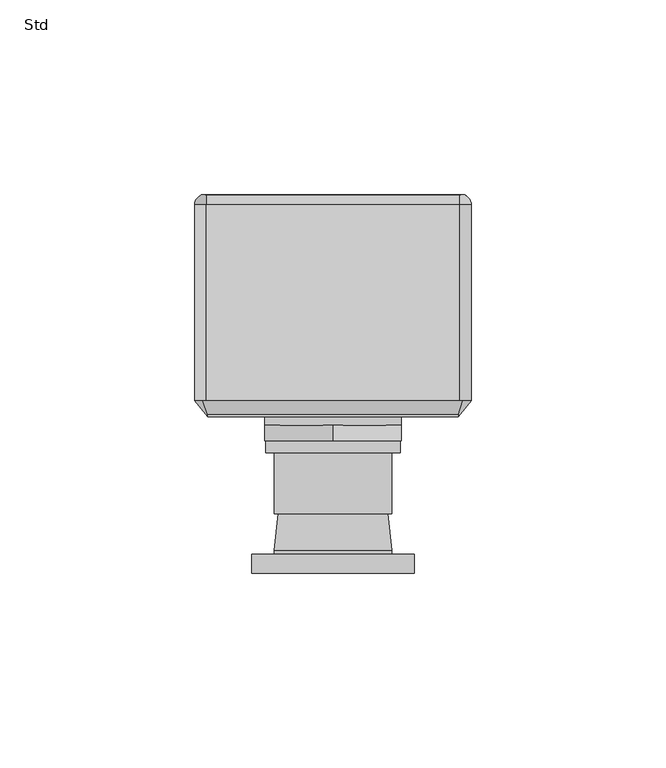
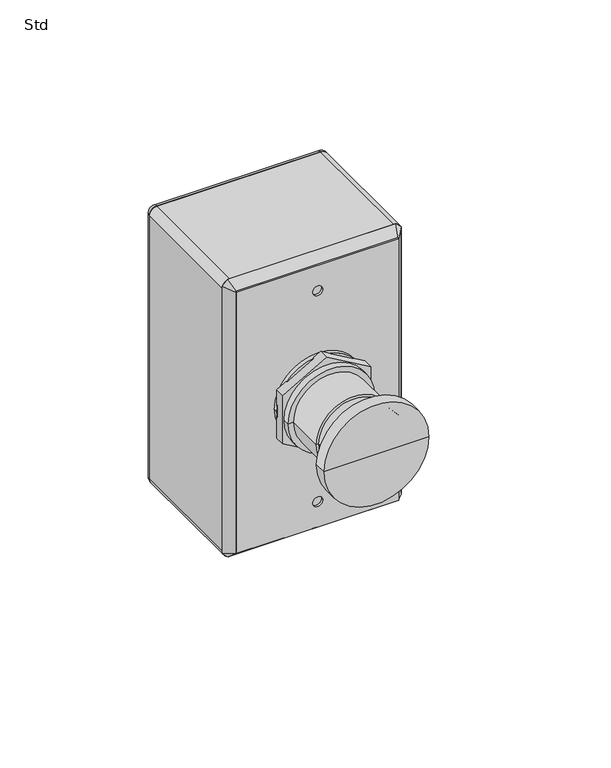
"""IFC4 building model written with IfcOpenShell, lengths in millimetres: proxy geometry, Std."""

from ifc_helpers import new_model, si_unit, point, frame, frame_2d, origin, place, context, project, spatial, polyline, circle_curve, ellipse_curve, trimmed, segment, composite_curve, outline, extrude, faceted_brep, source, transform, mapped, element, save
from ifc_brep_helpers import plane_surface, cylinder_surface, revolved_surface, advanced_brep


def std_20852791(model_context):
    return source(origin(), model_context, "Body", "SolidModel", [
        advanced_brep(
        [(-32.1242508, -28.5, 1254.8742508), (-32.1242508, -28.5, 1145.1257492), (32.1242508, -28.5, 1145.1257492), (32.1242508, -28.5, 1254.8742508), (-2.0, -28.5, 1244.25), (2.0, -28.5, 1244.25), (-2.0, -28.5, 1155.75), (2.0, -28.5, 1155.75), (-32.1242508, -24.3818363, 1254.8742508), (32.1242508, -24.3818363, 1254.8742508), (32.1242508, -24.3818363, 1145.1257492), (-32.1242508, -24.3818363, 1145.1257492), (2.0, -27.5, 1244.25), (-2.0, -27.5, 1244.25), (2.0, -27.5, 1155.75), (-2.0, -27.5, 1155.75)],
        [
            (0, 1),
            (1, 2),
            (2, 3),
            (3, 0),
            (4, 5, circle_curve(frame((0.0, -28.5, 1244.25), z_axis=(0.0, 1.0, 0.0), x_axis=(-1.0, 0.0, 0.0)), 2.0)),
            (5, 4, circle_curve(frame((0.0, -28.5, 1244.25), z_axis=(0.0, 1.0, 0.0), x_axis=(-1.0, 0.0, 0.0)), 2.0)),
            (6, 7, circle_curve(frame((0.0, -28.5, 1155.75), z_axis=(0.0, 1.0, 0.0), x_axis=(-1.0, 0.0, 0.0)), 2.0)),
            (7, 6, circle_curve(frame((0.0, -28.5, 1155.75), z_axis=(0.0, 1.0, 0.0), x_axis=(-1.0, 0.0, 0.0)), 2.0)),
            (8, 9),
            (9, 10),
            (10, 11),
            (11, 8),
            (0, 8),
            (11, 1),
            (10, 2),
            (9, 3),
            (12, 13, circle_curve(frame((0.0, -27.5, 1244.25), z_axis=(0.0, -1.0, 0.0), x_axis=(-1.0, 0.0, 0.0)), 2.0)),
            (13, 12, circle_curve(frame((0.0, -27.5, 1244.25), z_axis=(0.0, -1.0, 0.0), x_axis=(-1.0, 0.0, 0.0)), 2.0)),
            (14, 15, circle_curve(frame((0.0, -27.5, 1155.75), z_axis=(0.0, -1.0, 0.0), x_axis=(-1.0, 0.0, 0.0)), 2.0)),
            (15, 14, circle_curve(frame((0.0, -27.5, 1155.75), z_axis=(0.0, -1.0, 0.0), x_axis=(-1.0, 0.0, 0.0)), 2.0)),
            (12, 5),
            (4, 13),
            (14, 7),
            (6, 15),
        ],
        [
            plane_surface(frame((-32.1242508, -28.5, 1145.1257492), z_axis=(0.0, -1.0, 0.0), x_axis=(0.0, 0.0, -1.0))),
            plane_surface(frame((-32.1242508, -24.3818363, 1145.1257492), z_axis=(0.0, 1.0, 0.0), x_axis=(0.0, 0.0, 1.0))),
            plane_surface(frame((-32.1242508, -28.5, 1254.8742508), z_axis=(-1.0, 0.0, 0.0), x_axis=(0.0, 1.0, 0.0))),
            plane_surface(frame((-32.1242508, -28.5, 1145.1257492), z_axis=(0.0, 0.0, -1.0), x_axis=(0.0, 1.0, 0.0))),
            plane_surface(frame((32.1242508, -28.5, 1145.1257492), z_axis=(1.0, 0.0, 0.0), x_axis=(0.0, 1.0, 0.0))),
            plane_surface(frame((32.1242508, -28.5, 1254.8742508), z_axis=(0.0, 0.0, 1.0), x_axis=(0.0, 1.0, 0.0))),
            plane_surface(frame((-2.0, -27.5, 1244.25), z_axis=(0.0, -1.0, 0.0), x_axis=(0.0, 0.0, 1.0))),
            revolved_surface(polyline([(-2.0, -28.5, 1244.25), (-2.0, -27.5, 1244.25)]), (0.0, -27.5, 1244.25), (0.0, -1.0, 0.0)),
            revolved_surface(polyline([(-2.0, -28.5, 1155.75), (-2.0, -27.5, 1155.75)]), (0.0, -28.5, 1155.75), (0.0, -1.0, 0.0)),
        ],
        [
            (0, [[1, 2, 3, 4], [5, 6], [7, 8]]),
            (1, [[9, 10, 11, 12]]),
            (2, [[-1, 13, -12, 14]]),
            (3, [[-2, -14, -11, 15]]),
            (4, [[-3, -15, -10, 16]]),
            (5, [[-4, -16, -9, -13]]),
            (6, [[17, 18]]),
            (6, [[19, 20]]),
            (7, [[-17, 21, -5, 22]]),
            (7, [[-18, -22, -6, -21]]),
            (8, [[-19, 23, -7, 24]]),
            (8, [[-20, -24, -8, -23]]),
        ],
    ),
        faceted_brep([(32.0138212, -28.5, 1145.1257492), (33.4121023, -24.3818363, 1141.75), (35.5, -24.3818363, 1143.8378977), (35.5, -24.3818363, 1256.1281818), (32.1242508, -28.5, 1254.7299007), (33.3781818, -24.3818363, 1258.25), (31.9799007, -28.5, 1254.8742508), (-33.3781818, -24.3818363, 1258.25), (-31.9799007, -28.5, 1254.8742508), (-35.5, -24.3818363, 1256.1281818), (-32.1242508, -28.5, 1254.7299007), (-35.5, -24.3818363, 1143.8378977), (-32.1242508, -28.5, 1145.2361788), (-33.4121023, -24.3818363, 1141.75), (32.1242508, -24.3818363, 1145.2361788), (32.1242508, -24.3818363, 1254.7299007), (31.9799007, -24.3818363, 1254.8742508), (-31.9799007, -24.3818363, 1254.8742508), (-32.1242508, -24.3818363, 1254.7299007), (-32.1242508, -24.3818363, 1145.1257492)], [[[0, 1, 2]], [[0, 2, 3, 4]], [[4, 3, 5, 6]], [[6, 5, 7, 8]], [[8, 7, 9, 10]], [[10, 9, 11, 12]], [[12, 11, 13]], [[12, 13, 1, 0]], [[14, 0, 4, 15]], [[15, 4, 6, 16]], [[16, 6, 8, 17]], [[17, 8, 10, 18]], [[18, 10, 12, 19]], [[19, 12, 0, 14]], [[1, 13, 11, 9, 7, 5, 3, 2], [18, 19, 14, 15, 16, 17]]]),
        extrude(outline(composite_curve([segment(trimmed(circle_curve(frame_2d((1255.239259, 32.5)), 0.5), [point((1255.239259, 33.0))], [point((1255.739259, 32.5))], False, "CARTESIAN"), True, "CONTINUOUS"), segment(polyline([(1255.739259, 32.5), (1255.739259, -32.5)]), True, "CONTINUOUS"), segment(trimmed(circle_curve(frame_2d((1255.239259, -32.5)), 0.5), [point((1255.739259, -32.5))], [point((1255.239259, -33.0))], False, "CARTESIAN"), True, "CONTINUOUS"), segment(polyline([(1255.239259, -33.0), (1144.75, -33.0)]), True, "CONTINUOUS"), segment(trimmed(circle_curve(frame_2d((1144.75, -32.5)), 0.5), [point((1144.75, -33.0))], [point((1144.25, -32.5))], False, "CARTESIAN"), True, "CONTINUOUS"), segment(polyline([(1144.25, -32.5), (1144.25, 32.5)]), True, "CONTINUOUS"), segment(trimmed(circle_curve(frame_2d((1144.75, 32.5)), 0.5), [point((1144.25, 32.5))], [point((1144.75, 33.0))], False, "CARTESIAN"), True, "CONTINUOUS"), segment(polyline([(1144.75, 33.0), (1255.239259, 33.0)]), True, "CONTINUOUS")], self_intersect=False)), frame((0.0, 26.0, 0.0), z_axis=(0.0, 1.0, 0.0), x_axis=(0.0, 0.0, 1.0)), (0.0, 0.0, 1.0), 2.5),
        advanced_brep(
        [(33.0, 28.5, 1255.25), (32.5, 28.5, 1255.75), (32.5, 26.0, 1258.25), (35.5, 26.0, 1255.25), (33.0, 26.0, 1255.25), (32.5, 26.0, 1255.75), (35.5, 26.0, 1144.75), (33.0, 28.5, 1144.75), (33.0, 26.0, 1144.75), (32.5, 28.5, 1144.25), (32.5, 26.0, 1141.75), (32.5, 26.0, 1144.25), (-32.5, 26.0, 1141.75), (-32.5, 28.5, 1144.25), (-32.5, 26.0, 1144.25), (-33.0, 28.5, 1144.75), (-35.5, 26.0, 1144.75), (-33.0, 26.0, 1144.75), (-35.5, 26.0, 1255.25), (-33.0, 28.5, 1255.25), (-33.0, 26.0, 1255.25), (-32.5, 28.5, 1255.75), (-32.5, 26.0, 1258.25), (-32.5, 26.0, 1255.75)],
        [
            (0, 1, circle_curve(frame((32.5, 28.5, 1255.25), z_axis=(0.0, -1.0, 0.0), x_axis=(0.0, 0.0, 1.0)), 0.5)),
            (1, 2, circle_curve(frame((32.5, 26.0, 1255.75), z_axis=(1.0, 0.0, 0.0), x_axis=(0.0, 1.0, 0.0)), 2.5)),
            (2, 3, circle_curve(frame((32.5, 26.0, 1255.25), z_axis=(0.0, 1.0, 0.0), x_axis=(0.0, 0.0, 1.0)), 3.0)),
            (3, 0, circle_curve(frame((33.0, 26.0, 1255.25), z_axis=(0.0, 0.0, 1.0), x_axis=(0.0, 1.0, 0.0)), 2.5)),
            (4, 5, circle_curve(frame((32.5, 26.0, 1255.25), z_axis=(0.0, -1.0, 0.0), x_axis=(0.0, 0.0, 1.0)), 0.5)),
            (5, 1),
            (0, 4),
            (3, 6),
            (6, 7, circle_curve(frame((33.0, 26.0, 1144.75), z_axis=(0.0, 0.0, 1.0), x_axis=(0.0, 1.0, 0.0)), 2.5)),
            (7, 0),
            (7, 8),
            (8, 4),
            (9, 7, circle_curve(frame((32.5, 28.5, 1144.75), z_axis=(0.0, -1.0, 0.0), x_axis=(1.0, 0.0, 0.0)), 0.5)),
            (6, 10, circle_curve(frame((32.5, 26.0, 1144.75), z_axis=(0.0, 1.0, 0.0), x_axis=(1.0, 0.0, 0.0)), 3.0)),
            (10, 9, circle_curve(frame((32.5, 26.0, 1144.25), z_axis=(1.0, 0.0, 0.0), x_axis=(0.0, 1.0, 0.0)), 2.5)),
            (11, 8, circle_curve(frame((32.5, 26.0, 1144.75), z_axis=(0.0, -1.0, 0.0), x_axis=(1.0, 0.0, 0.0)), 0.5)),
            (9, 11),
            (10, 12),
            (12, 13, circle_curve(frame((-32.5, 26.0, 1144.25), z_axis=(1.0, 0.0, 0.0), x_axis=(0.0, 1.0, 0.0)), 2.5)),
            (13, 9),
            (13, 14),
            (14, 11),
            (15, 13, circle_curve(frame((-32.5, 28.5, 1144.75), z_axis=(0.0, -1.0, 0.0), x_axis=(0.0, 0.0, -1.0)), 0.5)),
            (12, 16, circle_curve(frame((-32.5, 26.0, 1144.75), z_axis=(0.0, 1.0, 0.0), x_axis=(0.0, 0.0, -1.0)), 3.0)),
            (16, 15, circle_curve(frame((-33.0, 26.0, 1144.75), z_axis=(0.0, 0.0, -1.0), x_axis=(0.0, 1.0, 0.0)), 2.5)),
            (17, 14, circle_curve(frame((-32.5, 26.0, 1144.75), z_axis=(0.0, -1.0, 0.0), x_axis=(0.0, 0.0, -1.0)), 0.5)),
            (15, 17),
            (16, 18),
            (18, 19, circle_curve(frame((-33.0, 26.0, 1255.25), z_axis=(0.0, 0.0, -1.0), x_axis=(0.0, 1.0, 0.0)), 2.5)),
            (19, 15),
            (19, 20),
            (20, 17),
            (21, 19, circle_curve(frame((-32.5, 28.5, 1255.25), z_axis=(0.0, -1.0, 0.0), x_axis=(-1.0, 0.0, 0.0)), 0.5)),
            (18, 22, circle_curve(frame((-32.5, 26.0, 1255.25), z_axis=(0.0, 1.0, 0.0), x_axis=(-1.0, 0.0, 0.0)), 3.0)),
            (22, 21, circle_curve(frame((-32.5, 26.0, 1255.75), z_axis=(-1.0, 0.0, 0.0), x_axis=(0.0, 1.0, 0.0)), 2.5)),
            (23, 20, circle_curve(frame((-32.5, 26.0, 1255.25), z_axis=(0.0, -1.0, 0.0), x_axis=(-1.0, 0.0, 0.0)), 0.5)),
            (21, 23),
            (22, 2),
            (1, 21),
            (5, 23),
        ],
        [
            revolved_surface(trimmed(ellipse_curve(frame((32.5, 26.0, 1255.75), z_axis=(-1.0, 0.0, 0.0), x_axis=(0.0, 1.0, 0.0)), 2.5, 2.5), [point((32.5, 26.0, 1258.25))], [point((32.5, 28.5, 1255.75))], True, "CARTESIAN"), (32.5, 26.0, 1255.25), (0.0, 1.0, 0.0)),
            revolved_surface(polyline([(32.5, 28.5, 1255.75), (32.5, 26.0, 1255.75)]), (32.5, 26.0, 1255.25), (0.0, 1.0, 0.0)),
            cylinder_surface(frame((33.0, 26.0, 1255.25), z_axis=(0.0, 0.0, 1.0), x_axis=(0.0, 1.0, 0.0)), 2.5),
            plane_surface(frame((33.0, 28.5, 1255.25), z_axis=(-1.0, 0.0, 0.0), x_axis=(0.0, 0.0, -1.0))),
            revolved_surface(trimmed(ellipse_curve(frame((33.0, 26.0, 1144.75), z_axis=(0.0, 0.0, 1.0), x_axis=(0.0, 1.0, 0.0)), 2.5, 2.5), [point((35.5, 26.0, 1144.75))], [point((33.0, 28.5, 1144.75))], True, "CARTESIAN"), (32.5, 26.0, 1144.75), (0.0, 1.0, 0.0)),
            revolved_surface(polyline([(33.0, 28.5, 1144.75), (33.0, 26.0, 1144.75)]), (32.5, 26.0, 1144.75), (0.0, 1.0, 0.0)),
            cylinder_surface(frame((32.5, 26.0, 1144.25), z_axis=(1.0, 0.0, 0.0), x_axis=(0.0, 1.0, 0.0)), 2.5),
            plane_surface(frame((32.5, 28.5, 1144.25), z_axis=(0.0, 0.0, 1.0), x_axis=(-1.0, 0.0, 0.0))),
            revolved_surface(trimmed(ellipse_curve(frame((-32.5, 26.0, 1144.25), z_axis=(1.0, 0.0, 0.0), x_axis=(0.0, 1.0, 0.0)), 2.5, 2.5), [point((-32.5, 26.0, 1141.75))], [point((-32.5, 28.5, 1144.25))], True, "CARTESIAN"), (-32.5, 26.0, 1144.75), (0.0, 1.0, 0.0)),
            revolved_surface(polyline([(-32.5, 28.5, 1144.25), (-32.5, 26.0, 1144.25)]), (-32.5, 26.0, 1144.75), (0.0, 1.0, 0.0)),
            cylinder_surface(frame((-33.0, 26.0, 1144.75), z_axis=(0.0, 0.0, -1.0), x_axis=(0.0, 1.0, 0.0)), 2.5),
            plane_surface(frame((-33.0, 28.5, 1144.75), z_axis=(1.0, 0.0, 0.0), x_axis=(0.0, 0.0, 1.0))),
            revolved_surface(trimmed(ellipse_curve(frame((-33.0, 26.0, 1255.25), z_axis=(0.0, 0.0, -1.0), x_axis=(0.0, 1.0, 0.0)), 2.5, 2.5), [point((-35.5, 26.0, 1255.25))], [point((-33.0, 28.5, 1255.25))], True, "CARTESIAN"), (-32.5, 26.0, 1255.25), (0.0, 1.0, 0.0)),
            revolved_surface(polyline([(-33.0, 28.5, 1255.25), (-33.0, 26.0, 1255.25)]), (-32.5, 26.0, 1255.25), (0.0, 1.0, 0.0)),
            cylinder_surface(frame((-32.5, 26.0, 1255.75), z_axis=(-1.0, 0.0, 0.0), x_axis=(0.0, 1.0, 0.0)), 2.5),
            plane_surface(frame((-32.5, 28.5, 1255.75), z_axis=(0.0, 0.0, -1.0), x_axis=(1.0, 0.0, 0.0))),
            plane_surface(frame((-32.5, 26.0, 1255.75), z_axis=(0.0, -1.0, 0.0), x_axis=(1.0, 0.0, 0.0))),
        ],
        [
            (0, [[1, 2, 3, 4]]),
            (1, [[5, 6, -1, 7]]),
            (2, [[-4, 8, 9, 10]]),
            (3, [[-7, -10, 11, 12]]),
            (4, [[13, -9, 14, 15]]),
            (5, [[16, -11, -13, 17]]),
            (6, [[-15, 18, 19, 20]]),
            (7, [[-17, -20, 21, 22]]),
            (8, [[23, -19, 24, 25]]),
            (9, [[26, -21, -23, 27]]),
            (10, [[-25, 28, 29, 30]]),
            (11, [[-27, -30, 31, 32]]),
            (12, [[33, -29, 34, 35]]),
            (13, [[36, -31, -33, 37]]),
            (14, [[-35, 38, -2, 39]]),
            (15, [[-37, -39, -6, 40]]),
            (16, [[-38, -34, -28, -24, -18, -14, -8, -3], [-32, -36, -40, -5, -12, -16, -22, -26]]),
        ],
    ),
        extrude(outline(composite_curve([segment(trimmed(circle_curve(frame_2d((1200.9582777, 0.0)), 17.5), [point((1200.9582777, 17.5))], [point((1200.9582777, -17.5))], False, "CARTESIAN"), True, "CONTINUOUS"), segment(trimmed(circle_curve(frame_2d((1200.9582777, 0.0)), 17.5), [point((1200.9582777, -17.5))], [point((1200.9582777, 17.5))], False, "CARTESIAN"), True, "CONTINUOUS")], self_intersect=False)), frame((0.0, -30.686724, 0.0), z_axis=(0.0, 1.0, 0.0), x_axis=(0.0, 0.0, 1.0)), (0.0, 0.0, 1.0), 2.186724),
        extrude(outline(polyline([(1220.1655371, 0.0), (1210.0619074, -17.5), (1189.854648, -17.5), (1179.7510183, 0.0), (1189.854648, 17.5), (1210.0619074, 17.5), (1220.1655371, 0.0)])), frame((0.0, -34.7220186, 0.0), z_axis=(0.0, 1.0, 0.0), x_axis=(0.0, 0.0, 1.0)), (0.0, 0.0, 1.0), 4.0352946),
        advanced_brep(
        [(17.2696825, -34.7220186, 1199.9390909), (-17.2696825, -34.7220186, 1199.9390909), (0.0, -34.7220186, 1199.9390909), (17.2696825, -37.7689101, 1199.9390909), (-17.2696825, -37.7689101, 1199.9390909), (15.080749, -37.7689101, 1199.9390909), (-15.080749, -37.7689101, 1199.9390909), (15.080749, -53.3911102, 1199.9390909), (-15.080749, -53.3911102, 1199.9390909), (14.080749, -53.3911102, 1199.9390909), (-14.080749, -53.3911102, 1199.9390909), (15.0739802, -62.841074, 1199.9390909), (-15.0739802, -62.841074, 1199.9390909), (15.0739802, -63.841074, 1199.9390909), (-15.0739802, -63.841074, 1199.9390909), (20.8928893, -63.841074, 1199.9390909), (-20.8928893, -63.841074, 1199.9390909), (20.8928893, -68.6846315, 1199.9390909), (-20.8928893, -68.6846315, 1199.9390909), (0.0, -68.6846315, 1199.9390909)],
        [
            (0, 1, circle_curve(frame((0.0, -34.7220186, 1199.9390909), z_axis=(0.0, 1.0, 0.0), x_axis=(-1.0, 0.0, 0.0)), 17.2696825)),
            (1, 2),
            (2, 0),
            (1, 0, circle_curve(frame((0.0, -34.7220186, 1199.9390909), z_axis=(0.0, 1.0, 0.0), x_axis=(-1.0, 0.0, 0.0)), 17.2696825)),
            (3, 4, circle_curve(frame((0.0, -37.7689101, 1199.9390909), z_axis=(0.0, 1.0, 0.0), x_axis=(-1.0, 0.0, 0.0)), 17.2696825)),
            (4, 1),
            (0, 3),
            (4, 3, circle_curve(frame((0.0, -37.7689101, 1199.9390909), z_axis=(0.0, 1.0, 0.0), x_axis=(-1.0, 0.0, 0.0)), 17.2696825)),
            (5, 6, circle_curve(frame((0.0, -37.7689101, 1199.9390909), z_axis=(0.0, 1.0, 0.0), x_axis=(-1.0, 0.0, 0.0)), 15.080749)),
            (6, 4),
            (3, 5),
            (6, 5, circle_curve(frame((0.0, -37.7689101, 1199.9390909), z_axis=(0.0, 1.0, 0.0), x_axis=(-1.0, 0.0, 0.0)), 15.080749)),
            (7, 8, circle_curve(frame((0.0, -53.3911102, 1199.9390909), z_axis=(0.0, 1.0, 0.0), x_axis=(-1.0, 0.0, 0.0)), 15.080749)),
            (8, 6),
            (5, 7),
            (8, 7, circle_curve(frame((0.0, -53.3911102, 1199.9390909), z_axis=(0.0, 1.0, 0.0), x_axis=(-1.0, 0.0, 0.0)), 15.080749)),
            (9, 10, circle_curve(frame((0.0, -53.3911102, 1199.9390909), z_axis=(0.0, 1.0, 0.0), x_axis=(-1.0, 0.0, 0.0)), 14.080749)),
            (10, 8),
            (7, 9),
            (10, 9, circle_curve(frame((0.0, -53.3911102, 1199.9390909), z_axis=(0.0, 1.0, 0.0), x_axis=(-1.0, 0.0, 0.0)), 14.080749)),
            (11, 12, circle_curve(frame((0.0, -62.841074, 1199.9390909), z_axis=(0.0, 1.0, 0.0), x_axis=(-1.0, 0.0, 0.0)), 15.0739802)),
            (12, 10),
            (9, 11),
            (12, 11, circle_curve(frame((0.0, -62.841074, 1199.9390909), z_axis=(0.0, 1.0, 0.0), x_axis=(-1.0, 0.0, 0.0)), 15.0739802)),
            (13, 14, circle_curve(frame((0.0, -63.841074, 1199.9390909), z_axis=(0.0, 1.0, 0.0), x_axis=(-1.0, 0.0, 0.0)), 15.0739802)),
            (14, 12),
            (11, 13),
            (14, 13, circle_curve(frame((0.0, -63.841074, 1199.9390909), z_axis=(0.0, 1.0, 0.0), x_axis=(-1.0, 0.0, 0.0)), 15.0739802)),
            (15, 16, circle_curve(frame((0.0, -63.841074, 1199.9390909), z_axis=(0.0, 1.0, 0.0), x_axis=(-1.0, 0.0, 0.0)), 20.8928893)),
            (16, 14),
            (13, 15),
            (16, 15, circle_curve(frame((0.0, -63.841074, 1199.9390909), z_axis=(0.0, 1.0, 0.0), x_axis=(-1.0, 0.0, 0.0)), 20.8928893)),
            (17, 18, circle_curve(frame((0.0, -68.6846315, 1199.9390909), z_axis=(0.0, 1.0, 0.0), x_axis=(-1.0, 0.0, 0.0)), 20.8928893)),
            (18, 16),
            (15, 17),
            (18, 17, circle_curve(frame((0.0, -68.6846315, 1199.9390909), z_axis=(0.0, 1.0, 0.0), x_axis=(-1.0, 0.0, 0.0)), 20.8928893)),
            (19, 18),
            (17, 19),
        ],
        [
            plane_surface(frame((0.0, -34.7220186, 1199.9390909), z_axis=(0.0, 1.0, 0.0), x_axis=(-1.0, 0.0, 0.0))),
            cylinder_surface(frame((0.0, -30.6871478, 1199.9390909), z_axis=(0.0, -1.0, 0.0), x_axis=(-1.0, 0.0, 0.0)), 17.2696825),
            plane_surface(frame((0.0, -37.7689101, 1199.9390909), z_axis=(0.0, -1.0, 0.0), x_axis=(-1.0, 0.0, 0.0))),
            cylinder_surface(frame((0.0, -30.6871478, 1199.9390909), z_axis=(0.0, -1.0, 0.0), x_axis=(-1.0, 0.0, 0.0)), 15.080749),
            plane_surface(frame((0.0, -53.3911102, 1199.9390909), z_axis=(0.0, -1.0, 0.0), x_axis=(-1.0, 0.0, 0.0))),
            revolved_surface(polyline([(-14.080749, -53.3911102, 1199.9390909), (-15.0739802, -62.841074, 1199.9390909)]), (0.0, -30.6871478, 1199.9390909), (0.0, -1.0, 0.0)),
            cylinder_surface(frame((0.0, -30.6871478, 1199.9390909), z_axis=(0.0, -1.0, 0.0), x_axis=(-1.0, 0.0, 0.0)), 15.0739802),
            plane_surface(frame((0.0, -63.841074, 1199.9390909), z_axis=(0.0, 1.0, 0.0), x_axis=(-1.0, 0.0, 0.0))),
            cylinder_surface(frame((0.0, -30.6871478, 1199.9390909), z_axis=(0.0, -1.0, 0.0), x_axis=(-1.0, 0.0, 0.0)), 20.8928893),
            plane_surface(frame((0.0, -68.6846315, 1199.9390909), z_axis=(0.0, -1.0, 0.0), x_axis=(-1.0, 0.0, 0.0))),
        ],
        [
            (0, [[1, 2, 3]]),
            (0, [[4, -3, -2]]),
            (1, [[5, 6, -1, 7]]),
            (1, [[8, -7, -4, -6]]),
            (2, [[9, 10, -5, 11]]),
            (2, [[12, -11, -8, -10]]),
            (3, [[13, 14, -9, 15]]),
            (3, [[16, -15, -12, -14]]),
            (4, [[17, 18, -13, 19]]),
            (4, [[20, -19, -16, -18]]),
            (5, [[21, 22, -17, 23]]),
            (5, [[24, -23, -20, -22]]),
            (6, [[25, 26, -21, 27]]),
            (6, [[28, -27, -24, -26]]),
            (7, [[29, 30, -25, 31]]),
            (7, [[32, -31, -28, -30]]),
            (8, [[33, 34, -29, 35]]),
            (8, [[36, -35, -32, -34]]),
            (9, [[37, -33, 38]]),
            (9, [[-38, -36, -37]]),
        ],
    ),
        extrude(outline(composite_curve([segment(trimmed(circle_curve(frame_2d((1144.75, -32.5)), 3.0), [point((1144.75, -35.5))], [point((1141.75, -32.5))], False, "CARTESIAN"), True, "CONTINUOUS"), segment(polyline([(1141.75, -32.5), (1141.75, 32.5)]), True, "CONTINUOUS"), segment(trimmed(circle_curve(frame_2d((1144.75, 32.5)), 3.0), [point((1141.75, 32.5))], [point((1144.75, 35.5))], False, "CARTESIAN"), True, "CONTINUOUS"), segment(polyline([(1144.75, 35.5), (1255.25, 35.5)]), True, "CONTINUOUS"), segment(trimmed(circle_curve(frame_2d((1255.25, 32.5)), 3.0), [point((1255.25, 35.5))], [point((1258.25, 32.5))], False, "CARTESIAN"), True, "CONTINUOUS"), segment(polyline([(1258.25, 32.5), (1258.25, -32.5)]), True, "CONTINUOUS"), segment(trimmed(circle_curve(frame_2d((1255.25, -32.5)), 3.0), [point((1258.25, -32.5))], [point((1255.25, -35.5))], False, "CARTESIAN"), True, "CONTINUOUS"), segment(polyline([(1255.25, -35.5), (1144.75, -35.5)]), True, "CONTINUOUS")], self_intersect=False)), frame((0.0, -24.3818363, 0.0), z_axis=(0.0, 1.0, 0.0), x_axis=(0.0, 0.0, 1.0)), (0.0, 0.0, 1.0), 50.3818363),
    ])


if __name__ == "__main__":
    model = new_model("IFC4")
    model_context = context("Model", 3, world=origin())
    ifc_project = project(units=[si_unit("LENGTHUNIT", "METRE", prefix="MILLI")], contexts=[model_context])
    site = spatial("IfcSite", under=ifc_project)
    building = spatial("IfcBuilding", under=site)
    placement = place(None, origin())
    std_shape = std_20852791(model_context)
    element("IfcBuildingElementProxy", 1, Name="Std", ObjectType="Std", at=placement, inside=building, context=model_context, shape_type="MappedRepresentation", body=[
        mapped(std_shape, transform((0.0, 0.0, 0.0), x_axis=(1.0, 0.0, 0.0), y_axis=(0.0, 1.0, 0.0), z_axis=(0.0, 0.0, 1.0))),
    ])
    save(model, "model.ifc")
